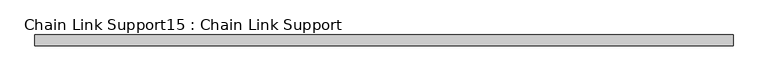
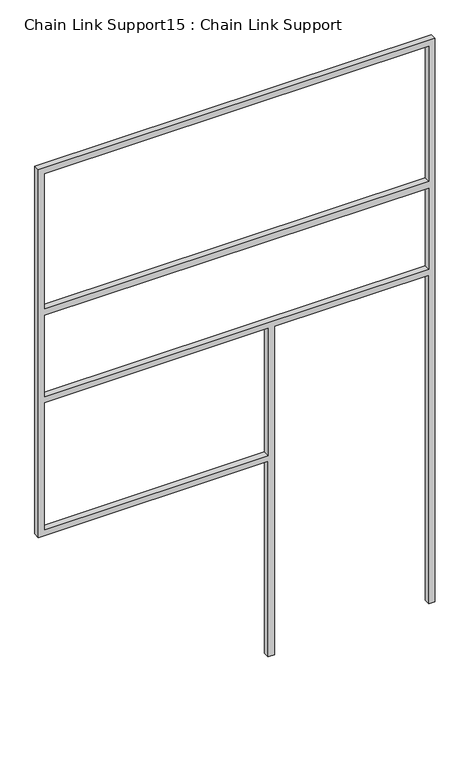
"""IFC4 building model written with IfcOpenShell, lengths in millimetres: proxy geometry, Chain Link Support15 : Chain Link Support."""

from ifc_helpers import new_model, si_unit, frame, origin, place, context, project, spatial, polyline, outline, extrude, source, transform, mapped, element, save


def chain_link_support15_chain_link_support_7241e1f2(model_context):
    return source(origin(), model_context, "Body", "SweptSolid", [
        extrude(outline(polyline([(3657.6, -27435.5493371), (3657.6, -29873.9493371), (1270.0, -29873.9493371), (1270.0, -28461.0743371), (0.0, -28461.0743371), (0.0, -28422.9743371), (2133.6, -28422.9743371), (2133.6, -27473.6493371), (0.0, -27473.6493371), (0.0, -27435.5493371), (3657.6, -27435.5493371)]), holes=[polyline([(2171.7, -27473.6493371), (2171.7, -29835.8493371), (2698.75, -29835.8493371), (2698.75, -27473.6493371), (2171.7, -27473.6493371)]), polyline([(1308.1, -29835.8493371), (2133.6, -29835.8493371), (2133.6, -28461.0743371), (1308.1, -28461.0743371), (1308.1, -29835.8493371)]), polyline([(2743.2, -27473.6493371), (2743.2, -29835.8493371), (3619.5, -29835.8493371), (3619.5, -27473.6493371), (2743.2, -27473.6493371)])]), frame((0.0, -3998.1978765, 0.0), z_axis=(0.0, 1.0, 0.0), x_axis=(0.0, 0.0, 1.0)), (0.0, 0.0, 1.0), 38.1),
    ])


if __name__ == "__main__":
    model = new_model("IFC4")
    model_context = context("Model", 3, world=origin())
    ifc_project = project(units=[si_unit("LENGTHUNIT", "METRE", prefix="MILLI")], contexts=[model_context])
    site = spatial("IfcSite", under=ifc_project)
    building = spatial("IfcBuilding", under=site)
    placement = place(None, origin())
    chain_link_support15_chain_link_support_shape = chain_link_support15_chain_link_support_7241e1f2(model_context)
    element("IfcBuildingElementProxy", 1, Name="Chain Link Support15 : Chain Link Support", ObjectType="Chain Link Support15 : Chain Link Support", at=placement, inside=building, context=model_context, shape_type="MappedRepresentation", body=[
        mapped(chain_link_support15_chain_link_support_shape, transform((0.0, 0.0, 0.0), x_axis=(1.0, 0.0, 0.0), y_axis=(0.0, 1.0, 0.0), z_axis=(0.0, 0.0, 1.0))),
    ])
    save(model, "model.ifc")
